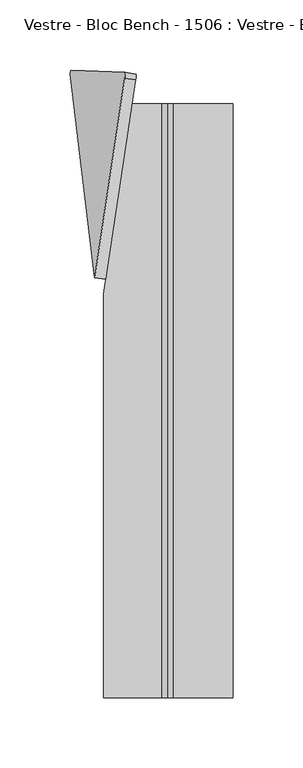
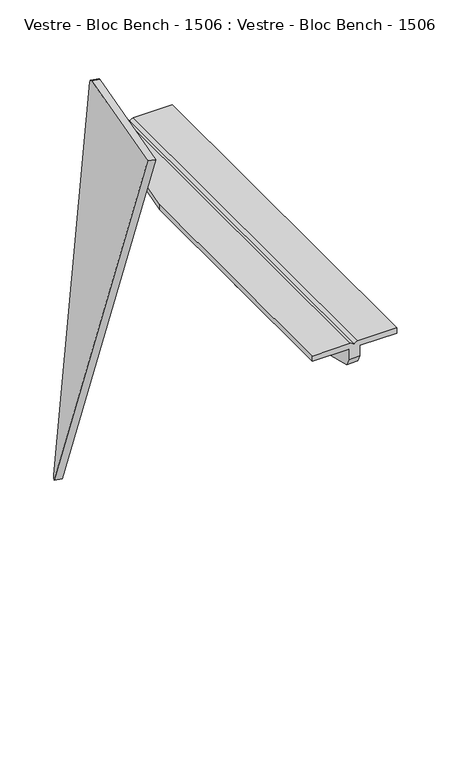
"""IFC4 building model written with IfcOpenShell, lengths in millimetres: furniture geometry, Vestre - Bloc Bench - 1506 : Vestre - Bloc Bench - 1506."""

from ifc_helpers import new_model, si_unit, point, frame, frame_2d, origin, place, context, project, spatial, polyline, circle_curve, trimmed, segment, composite_curve, outline, extrude, source, transform, mapped, element, save
from ifc_brep_helpers import plane_surface, cylinder_surface, revolved_surface, advanced_brep


def vestre_bloc_bench_1506_vestre_bloc_bench_1506_20db1a57(model_context):
    return source(origin(), model_context, "Body", "SolidModel", [
        advanced_brep(
        [(-803.457634, -211.5061851, 407.2390557), (-803.457634, -211.5061851, 395.1864554), (-803.457634, -208.0492713, 387.4220999), (-803.457634, 0.0, 351.522253), (-803.457634, 208.0492713, 387.4220999), (-803.457634, 211.5061851, 395.1864554), (-803.457634, 211.5061851, 407.2390557), (-803.457634, 0.0, 407.2390557), (-803.457634, -21.8592377, 366.3746227), (-803.457634, -11.8592377, 366.3746227), (-803.457634, 24.2571548, 390.0986559), (-803.457634, 14.2571548, 390.0986559), (-803.457634, -10.1221662, 377.5777405), (-803.457634, 13.0401943, 377.5777405), (-803.457634, 146.5858041, 385.4289802), (-803.457634, 136.5858041, 385.4289802), (-803.457634, -133.4141959, 385.4289802), (-803.457634, -143.4141959, 385.4289802), (-815.5256801, 211.5061851, 407.2390557), (-815.5256801, 211.5061851, 395.1864554), (-815.5256801, 208.0492713, 387.4220999), (-815.5256801, 0.0, 351.522253), (-815.5256801, -208.0492713, 387.4220999), (-815.5256801, -211.5061851, 395.1864554), (-815.5256801, -211.5061851, 407.2390557), (-815.5256801, 0.0, 407.2390557), (-815.5256801, -11.8592377, 366.3746227), (-815.5256801, -21.8592377, 366.3746227), (-815.5256801, 14.2571548, 390.0986559), (-815.5256801, 24.2571548, 390.0986559), (-815.5256801, 13.0401943, 377.5777405), (-815.5256801, -10.1221662, 377.5777405), (-815.5256801, 136.5858041, 385.4289802), (-815.5256801, 146.5858041, 385.4289802), (-815.5256801, -143.4141959, 385.4289802), (-815.5256801, -133.4141959, 385.4289802), (-834.8303812, 211.5061851, 407.2390557), (-834.8303812, 211.5061851, 413.2390557), (-813.4916571, 211.5061851, 413.2390557), (-809.4916571, 211.5061851, 409.2390557), (-805.4916571, 211.5061851, 413.2390557), (-763.0957082, 211.5061851, 413.2390557), (-763.0957082, 211.5061851, 407.2390557), (-763.0957082, -211.5061851, 407.2390557), (-763.0957082, -211.5061851, 413.2390557), (-805.4916571, -211.5061851, 413.2390557), (-809.4916571, -211.5061851, 409.2390557), (-813.4916571, -211.5061851, 413.2390557), (-855.1742016, -211.5061851, 413.2390557), (-855.1742016, -211.5061851, 407.2390557), (-855.1742016, 75.6967907, 413.2390557), (-855.1742016, 75.6967907, 407.2390557)],
        [
            (0, 1),
            (1, 2),
            (2, 3, circle_curve(frame((-803.457634, 11.7259436, 1040.277924), z_axis=(1.0, 0.0, 0.0), x_axis=(0.0, 1.0, 0.0)), 688.8554798)),
            (3, 4, circle_curve(frame((-803.457634, -11.7259436, 1040.277924), z_axis=(1.0, 0.0, 0.0), x_axis=(0.0, -1.0, 0.0)), 688.8554798)),
            (4, 5),
            (5, 6),
            (6, 7),
            (7, 0),
            (8, 9, circle_curve(frame((-803.457634, -16.8592377, 366.3746227), z_axis=(-1.0, 0.0, 0.0), x_axis=(0.0, -1.0, 0.0)), 5.0)),
            (9, 8, circle_curve(frame((-803.457634, -16.8592377, 366.3746227), z_axis=(-1.0, 0.0, 0.0), x_axis=(0.0, -1.0, 0.0)), 5.0)),
            (10, 11, circle_curve(frame((-803.457634, 19.2571548, 390.0986559), z_axis=(-1.0, 0.0, 0.0), x_axis=(0.0, 1.0, 0.0)), 5.0)),
            (11, 10, circle_curve(frame((-803.457634, 19.2571548, 390.0986559), z_axis=(-1.0, 0.0, 0.0), x_axis=(0.0, 1.0, 0.0)), 5.0)),
            (12, 13, circle_curve(frame((-803.457634, 1.459014, 377.5777405), z_axis=(-1.0, 0.0, 0.0), x_axis=(0.0, -1.0, 0.0)), 11.5811802)),
            (13, 12, circle_curve(frame((-803.457634, 1.459014, 377.5777405), z_axis=(-1.0, 0.0, 0.0), x_axis=(0.0, -1.0, 0.0)), 11.5811802)),
            (14, 15, circle_curve(frame((-803.457634, 141.5858041, 385.4289802), z_axis=(-1.0, 0.0, 0.0), x_axis=(0.0, 1.0, 0.0)), 5.0)),
            (15, 14, circle_curve(frame((-803.457634, 141.5858041, 385.4289802), z_axis=(-1.0, 0.0, 0.0), x_axis=(0.0, 1.0, 0.0)), 5.0)),
            (16, 17, circle_curve(frame((-803.457634, -138.4141959, 385.4289802), z_axis=(-1.0, 0.0, 0.0), x_axis=(0.0, 1.0, 0.0)), 5.0)),
            (17, 16, circle_curve(frame((-803.457634, -138.4141959, 385.4289802), z_axis=(-1.0, 0.0, 0.0), x_axis=(0.0, 1.0, 0.0)), 5.0)),
            (18, 19),
            (19, 20),
            (20, 21, circle_curve(frame((-815.5256801, -11.7259436, 1040.277924), z_axis=(-1.0, 0.0, 0.0), x_axis=(0.0, -1.0, 0.0)), 688.8554798)),
            (21, 22, circle_curve(frame((-815.5256801, 11.7259436, 1040.277924), z_axis=(-1.0, 0.0, 0.0), x_axis=(0.0, 1.0, 0.0)), 688.8554798)),
            (22, 23),
            (23, 24),
            (24, 25),
            (25, 18),
            (26, 27, circle_curve(frame((-815.5256801, -16.8592377, 366.3746227), z_axis=(1.0, 0.0, 0.0), x_axis=(0.0, -1.0, 0.0)), 5.0)),
            (27, 26, circle_curve(frame((-815.5256801, -16.8592377, 366.3746227), z_axis=(1.0, 0.0, 0.0), x_axis=(0.0, -1.0, 0.0)), 5.0)),
            (28, 29, circle_curve(frame((-815.5256801, 19.2571548, 390.0986559), z_axis=(1.0, 0.0, 0.0), x_axis=(0.0, 1.0, 0.0)), 5.0)),
            (29, 28, circle_curve(frame((-815.5256801, 19.2571548, 390.0986559), z_axis=(1.0, 0.0, 0.0), x_axis=(0.0, 1.0, 0.0)), 5.0)),
            (30, 31, circle_curve(frame((-815.5256801, 1.459014, 377.5777405), z_axis=(1.0, 0.0, 0.0), x_axis=(0.0, -1.0, 0.0)), 11.5811802)),
            (31, 30, circle_curve(frame((-815.5256801, 1.459014, 377.5777405), z_axis=(1.0, 0.0, 0.0), x_axis=(0.0, -1.0, 0.0)), 11.5811802)),
            (32, 33, circle_curve(frame((-815.5256801, 141.5858041, 385.4289802), z_axis=(1.0, 0.0, 0.0), x_axis=(0.0, 1.0, 0.0)), 5.0)),
            (33, 32, circle_curve(frame((-815.5256801, 141.5858041, 385.4289802), z_axis=(1.0, 0.0, 0.0), x_axis=(0.0, 1.0, 0.0)), 5.0)),
            (34, 35, circle_curve(frame((-815.5256801, -138.4141959, 385.4289802), z_axis=(1.0, 0.0, 0.0), x_axis=(0.0, 1.0, 0.0)), 5.0)),
            (35, 34, circle_curve(frame((-815.5256801, -138.4141959, 385.4289802), z_axis=(1.0, 0.0, 0.0), x_axis=(0.0, 1.0, 0.0)), 5.0)),
            (5, 19),
            (18, 36),
            (36, 37),
            (37, 38),
            (38, 39, circle_curve(frame((-813.4916571, 211.5061851, 409.2390557), z_axis=(0.0, 1.0, 0.0), x_axis=(1.0, 0.0, 0.0)), 4.0)),
            (39, 40, circle_curve(frame((-805.4916571, 211.5061851, 409.2390557), z_axis=(0.0, 1.0, 0.0), x_axis=(1.0, 0.0, 0.0)), 4.0)),
            (40, 41),
            (41, 42),
            (42, 6),
            (23, 1),
            (0, 43),
            (43, 44),
            (44, 45),
            (45, 46, circle_curve(frame((-805.4916571, -211.5061851, 409.2390557), z_axis=(0.0, -1.0, 0.0), x_axis=(1.0, 0.0, 0.0)), 4.0)),
            (46, 47, circle_curve(frame((-813.4916571, -211.5061851, 409.2390557), z_axis=(0.0, -1.0, 0.0), x_axis=(1.0, 0.0, 0.0)), 4.0)),
            (47, 48),
            (48, 49),
            (49, 24),
            (22, 2),
            (4, 20),
            (21, 3),
            (26, 9),
            (8, 27),
            (28, 11),
            (10, 29),
            (30, 13),
            (12, 31),
            (32, 15),
            (14, 33),
            (34, 17),
            (16, 35),
            (43, 42),
            (41, 44),
            (40, 45),
            (48, 50),
            (50, 51),
            (51, 49),
            (51, 36),
            (39, 46),
            (38, 47),
            (37, 50),
        ],
        [
            plane_surface(frame((-803.457634, 211.5061851, 407.2390557), z_axis=(1.0, 0.0, 0.0), x_axis=(0.0, 0.0, 1.0))),
            plane_surface(frame((-815.5256801, 211.5061851, 407.2390557), z_axis=(-1.0, 0.0, 0.0), x_axis=(0.0, 0.0, -1.0))),
            plane_surface(frame((-803.457634, 211.5061851, 395.1864554), z_axis=(0.0, 1.0, 0.0), x_axis=(-1.0, 0.0, 0.0))),
            plane_surface(frame((-803.457634, -211.5061851, 407.2390557), z_axis=(0.0, -1.0, 0.0), x_axis=(-1.0, 0.0, 0.0))),
            plane_surface(frame((-803.457634, -211.5061851, 395.1864554), z_axis=(0.0, -0.9135454576426094, -0.4067366430757813), x_axis=(-1.0, 0.0, 0.0))),
            plane_surface(frame((-803.457634, 208.0492713, 387.4220999), z_axis=(0.0, 0.9135454576425998, -0.4067366430758029), x_axis=(-1.0, 0.0, 0.0))),
            cylinder_surface(frame((-815.5256801, 11.7259436, 1040.277924), z_axis=(1.0, 0.0, 0.0), x_axis=(0.0, 1.0, 0.0)), 688.8554798),
            cylinder_surface(frame((-815.5256801, -11.7259436, 1040.277924), z_axis=(1.0, 0.0, 0.0), x_axis=(0.0, -1.0, 0.0)), 688.8554798),
            revolved_surface(polyline([(-803.457634, -21.8592377, 366.3746227), (-815.5256801, -21.8592377, 366.3746227)]), (-817.37376, -16.8592377, 366.3746227), (1.0, 0.0, 0.0)),
            revolved_surface(polyline([(-803.457634, 24.2571548, 390.0986559), (-815.5256801, 24.2571548, 390.0986559)]), (0.0, 19.2571548, 390.0986559), (1.0, 0.0, 0.0)),
            revolved_surface(polyline([(-803.457634, -10.1221662, 377.5777405), (-815.5256801, -10.1221662, 377.5777405)]), (0.0, 1.459014, 377.5777405), (1.0, 0.0, 0.0)),
            revolved_surface(polyline([(-803.457634, 146.5858041, 385.4289802), (-815.5256801, 146.5858041, 385.4289802)]), (0.0, 141.5858041, 385.4289802), (1.0, 0.0, 0.0)),
            revolved_surface(polyline([(-803.457634, -133.4141959, 385.4289802), (-815.5256801, -133.4141959, 385.4289802)]), (0.0, -138.4141959, 385.4289802), (1.0, 0.0, 0.0)),
            plane_surface(frame((-763.0957082, -211.5061851, 407.2390557), z_axis=(1.0, 0.0, 0.0), x_axis=(0.0, 1.0, 0.0))),
            plane_surface(frame((-763.0957082, -211.5061851, 413.2390557), z_axis=(0.0, 0.0, 1.0), x_axis=(0.0, 1.0, 0.0))),
            plane_surface(frame((-855.1742016, -211.5061851, 413.2390557), z_axis=(-1.0, 0.0, 0.0), x_axis=(0.0, 1.0, 0.0))),
            plane_surface(frame((-855.1742016, -211.5061851, 407.2390557), z_axis=(0.0, 0.0, -1.0), x_axis=(0.0, 1.0, 0.0))),
            plane_surface(frame((-803.457634, -211.5061851, 407.2390557), z_axis=(0.0, 0.0, -1.0), x_axis=(0.0, 1.0, 0.0))),
            cylinder_surface(frame((-805.4916571, 211.5465998, 409.2390557), z_axis=(0.0, -1.0, 0.0), x_axis=(1.0, 0.0, 0.0)), 4.0),
            cylinder_surface(frame((-813.4916571, 211.5465998, 409.2390557), z_axis=(0.0, -1.0, 0.0), x_axis=(1.0, 0.0, 0.0)), 4.0),
            plane_surface(frame((-813.4916571, -211.5061851, 413.2390557), z_axis=(0.0, 0.0, 1.0), x_axis=(0.0, 1.0, 0.0))),
            plane_surface(frame((-855.1332712, 75.6967907, 514.4914175), z_axis=(-0.9890158633619175, 0.14780941112960624, 0.0), x_axis=(0.0, 0.0, -1.0))),
        ],
        [
            (0, [[1, 2, 3, 4, 5, 6, 7, 8], [9, 10], [11, 12], [13, 14], [15, 16], [17, 18]]),
            (1, [[19, 20, 21, 22, 23, 24, 25, 26], [27, 28], [29, 30], [31, 32], [33, 34], [35, 36]]),
            (2, [[37, -19, 38, 39, 40, 41, 42, 43, 44, 45, -6]]),
            (3, [[46, -1, 47, 48, 49, 50, 51, 52, 53, 54, -24]]),
            (4, [[-2, -46, -23, 55]]),
            (5, [[-5, 56, -20, -37]]),
            (6, [[-3, -55, -22, 57]]),
            (7, [[-4, -57, -21, -56]]),
            (8, [[58, -9, 59, -27]]),
            (8, [[-58, -28, -59, -10]]),
            (9, [[60, -11, 61, -29]]),
            (9, [[-60, -30, -61, -12]]),
            (10, [[62, -13, 63, -31]]),
            (10, [[-62, -32, -63, -14]]),
            (11, [[64, -15, 65, -33]]),
            (11, [[-64, -34, -65, -16]]),
            (12, [[66, -17, 67, -35]]),
            (12, [[-66, -36, -67, -18]]),
            (13, [[-48, 68, -44, 69]]),
            (14, [[-49, -69, -43, 70]]),
            (15, [[-53, 71, 72, 73]]),
            (16, [[-54, -73, 74, -38, -26, -25]]),
            (17, [[-47, -8, -7, -45, -68]]),
            (18, [[-50, -70, -42, 75]]),
            (19, [[-51, -75, -41, 76]]),
            (20, [[-52, -76, -40, 77, -71]]),
            (21, [[-39, -74, -72, -77]]),
        ],
    ),
        extrude(outline(composite_curve([segment(polyline([(0.0, 0.0), (143.8273611, 1e-07), (-1.499331, -449.2546808)]), True, "CONTINUOUS"), segment(trimmed(circle_curve(frame_2d((0.0036132, -445.5438753)), 4.0036131), [point((-1.499331, -449.2546808))], [point((-3.9999999, -445.5438753))], False, "CARTESIAN"), True, "CONTINUOUS"), segment(polyline([(-3.9999999, -445.5438753), (-4.0, -4.0)]), True, "CONTINUOUS"), segment(trimmed(circle_curve(frame_2d((1e-07, -4.0)), 4.0), [point((-4.0, -4.0))], [point((0.0, 0.0))], False, "CARTESIAN"), True, "CONTINUOUS")], self_intersect=False)), frame((-832.2493081, 228.4491993, 456.4156837), z_axis=(-0.9850591714533377, 0.14884052253640817, 0.08663098514246073), x_axis=(-0.1485866793272877, -0.9888546404904311, 0.009407375140278878)), (0.0, 0.0, 1.0), 8.0),
    ])


if __name__ == "__main__":
    model = new_model("IFC4")
    model_context = context("Model", 3, world=origin())
    ifc_project = project(units=[si_unit("LENGTHUNIT", "METRE", prefix="MILLI")], contexts=[model_context])
    site = spatial("IfcSite", under=ifc_project)
    building = spatial("IfcBuilding", under=site)
    placement = place(None, origin())
    vestre_bloc_bench_1506_vestre_bloc_bench_1506_shape = vestre_bloc_bench_1506_vestre_bloc_bench_1506_20db1a57(model_context)
    element("IfcFurniture", 1, ObjectType="Vestre - Bloc Bench - 1506 : Vestre - Bloc Bench - 1506", at=placement, inside=building, context=model_context, shape_type="MappedRepresentation", body=[
        mapped(vestre_bloc_bench_1506_vestre_bloc_bench_1506_shape, transform((0.0, 0.0, 0.0), x_axis=(1.0, 0.0, 0.0), y_axis=(0.0, 1.0, 0.0), z_axis=(0.0, 0.0, 1.0))),
    ])
    save(model, "model.ifc")
